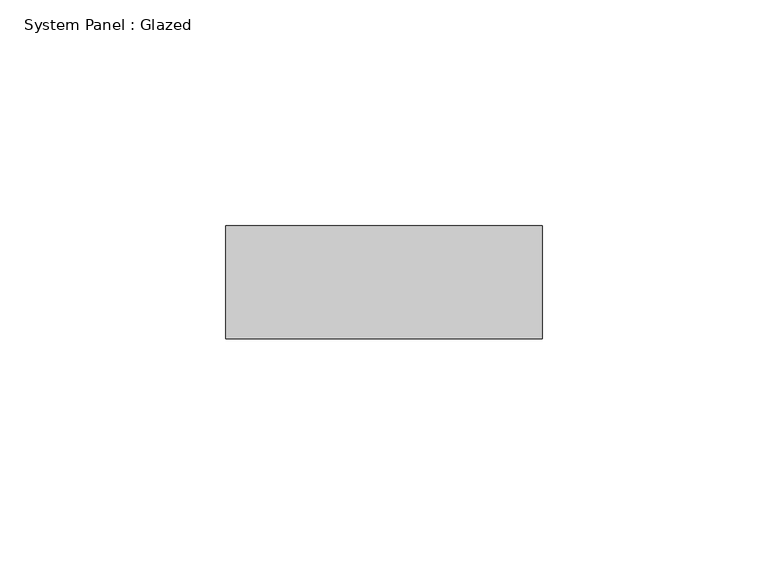
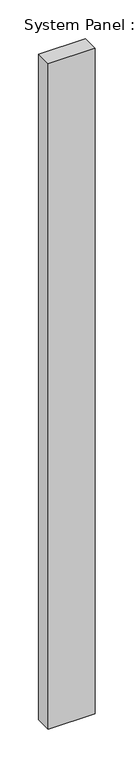
"""IFC4 building model written with IfcOpenShell, lengths in millimetres: plate geometry, System Panel : Glazed."""

from ifc_helpers import new_model, si_unit, origin, origin_with_axes, place, context, project, spatial, polyline, outline, extrude, source, transform, mapped, element, save


def system_panel_glazed_220a1162(model_context):
    return source(origin(), model_context, "Body", "SweptSolid", [
        extrude(outline(polyline([(35.0, 24.5), (-35.0, 24.5), (-35.0, 49.5), (35.0, 49.5), (35.0, 24.5)])), origin_with_axes(), (0.0, 0.0, 1.0), 1048.3333333),
    ])


if __name__ == "__main__":
    model = new_model("IFC4")
    model_context = context("Model", 3, world=origin())
    ifc_project = project(units=[si_unit("LENGTHUNIT", "METRE", prefix="MILLI")], contexts=[model_context])
    site = spatial("IfcSite", under=ifc_project)
    building = spatial("IfcBuilding", under=site)
    placement = place(None, origin())
    system_panel_glazed_shape = system_panel_glazed_220a1162(model_context)
    element("IfcPlate", 1, ObjectType="System Panel : Glazed", at=placement, inside=building, context=model_context, shape_type="MappedRepresentation", body=[
        mapped(system_panel_glazed_shape, transform((0.0, 0.0, 0.0), x_axis=(1.0, 0.0, 0.0), y_axis=(0.0, 1.0, 0.0), z_axis=(0.0, 0.0, 1.0))),
    ])
    save(model, "model.ifc")
